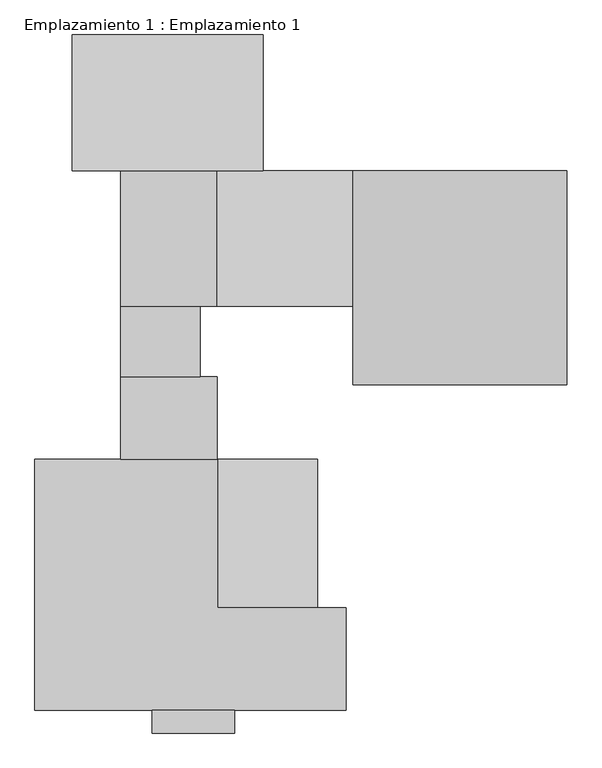
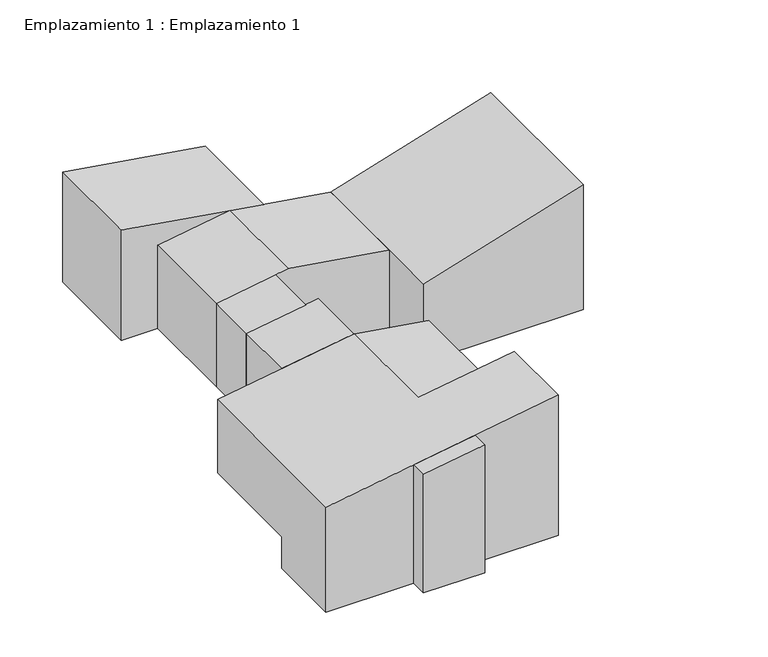
"""IFC4 building model written with IfcOpenShell, lengths in millimetres: geographic element geometry, Emplazamiento 1 : Emplazamiento 1."""

from ifc_helpers import new_model, si_unit, frame, origin, place, context, project, spatial, polyline, outline, extrude, faceted_brep, source, transform, mapped, element, save


def emplazamiento_1_emplazamiento_1_829cfb7e(model_context):
    return source(origin(), model_context, "Body", "SolidModel", [
        extrude(outline(polyline([(3919.5846219, -4905.0466357), (-1954.3825662, -4905.0466357), (-1954.382566, -2025.0466386), (4379.8841932, -2025.0466386), (3919.5846219, -4905.0466357)])), frame((0.0, -12606.673038, 0.0), z_axis=(0.0, 1.0, 0.0), x_axis=(0.0, 0.0, 1.0)), (0.0, 0.0, 1.0), 790.0000014),
        extrude(outline(polyline([(5092.9656491, -7705.0466383), (-375.7083183, -7705.0466383), (-375.7083183, -1019.1049478), (4030.4298462, -1019.1049478), (5092.9656491, -7705.0466383)])), frame((0.0, 7083.3269632, 0.0), z_axis=(0.0, 1.0, 0.0), x_axis=(0.0, 0.0, 1.0)), (0.0, 0.0, 1.0), 4749.9999998),
        extrude(outline(polyline([(4285.6475348, -2625.0466381), (3745.4348278, -6005.0466391), (-375.7083183, -6005.0466391), (-375.7083183, 2124.9533617), (3530.7731639, 2124.9533617), (4285.6475348, -2625.0466381)])), frame((0.0, 2333.3269622, 0.0), z_axis=(0.0, 1.0, 0.0), x_axis=(0.0, 0.0, 1.0)), (0.0, 0.0, 1.0), 4750.000001),
        extrude(outline(polyline([(3530.7731635, 2124.9533617), (-375.7083176, 2124.9533617), (-375.7083176, 9624.9533626), (5833.9438913, 9624.9533617), (3530.7731635, 2124.9533617)])), frame((0.0, -416.6730335, 0.0), z_axis=(0.0, 1.0, 0.0), x_axis=(0.0, 0.0, 1.0)), (0.0, 0.0, 1.0), 7499.9999966),
        extrude(outline(polyline([(4189.7517876, -3225.0466416), (3745.4348278, -6005.0466391), (-375.7083183, -6005.0466391), (-375.7083183, -3225.0466416), (4189.7517876, -3225.0466416)])), frame((0.0, -126.673037, 0.0), z_axis=(0.0, 1.0, 0.0), x_axis=(0.0, 0.0, 1.0)), (0.0, 0.0, 1.0), 2459.9999992),
        extrude(outline(polyline([(4285.647535, -2625.0466383), (3745.4348278, -6005.0466391), (-375.7083183, -6005.0466391), (-375.7083183, -2625.0466383), (4285.647535, -2625.0466383)])), frame((0.0, -3016.6730366, 0.0), z_axis=(0.0, 1.0, 0.0), x_axis=(0.0, 0.0, 1.0)), (0.0, 0.0, 1.0), 2889.9999996),
        faceted_brep([(1884.9533615, -8226.6730366, 5004.8047924), (1884.9533615, -8226.6730366, -1954.3825657), (-9015.0466398, -8226.6730366, -1954.3825666), (-9015.0466398, -8226.6730366, -375.7083186), (884.9533615, -8226.6730366, -375.7083177), (884.9533615, -8226.6730366, 3727.8351049), (-2619.8416174, -8226.6730366, 4284.8203481), (-9015.0466398, -11816.6730366, -1954.3825666), (1884.9533615, -11816.6730366, -1954.3825657), (1884.9533615, -11816.6730366, 5004.8047924), (-9015.0466398, -11816.6730366, 3262.6987741), (-2619.8416174, -3016.6730366, 4284.8203481), (-9015.0466398, -3016.6730366, 3262.6987741), (-9015.0466398, -3016.6730366, -375.7083186), (884.9533615, -3016.6730366, 3727.8351049), (884.9533615, -3016.6730366, -375.7083177)], [[[0, 1, 2, 3, 4, 5, 6]], [[7, 8, 9, 10]], [[2, 1, 8, 7]], [[1, 0, 9, 8]], [[10, 9, 0, 6, 11, 12]], [[7, 10, 12, 13, 3, 2]], [[12, 11, 14, 15, 13]], [[15, 14, 5, 4]], [[14, 11, 6, 5]], [[13, 15, 4, 3]]]),
    ])


if __name__ == "__main__":
    model = new_model("IFC4")
    model_context = context("Model", 3, world=origin())
    ifc_project = project(units=[si_unit("LENGTHUNIT", "METRE", prefix="MILLI")], contexts=[model_context])
    site = spatial("IfcSite", under=ifc_project)
    building = spatial("IfcBuilding", under=site)
    placement = place(None, origin())
    emplazamiento_1_emplazamiento_1_shape = emplazamiento_1_emplazamiento_1_829cfb7e(model_context)
    element("IfcGeographicElement", 1, ObjectType="Emplazamiento 1 : Emplazamiento 1", at=placement, inside=building, context=model_context, shape_type="MappedRepresentation", body=[
        mapped(emplazamiento_1_emplazamiento_1_shape, transform((0.0, 0.0, 0.0), x_axis=(1.0, 0.0, 0.0), y_axis=(0.0, 1.0, 0.0), z_axis=(0.0, 0.0, 1.0))),
    ])
    save(model, "model.ifc")
